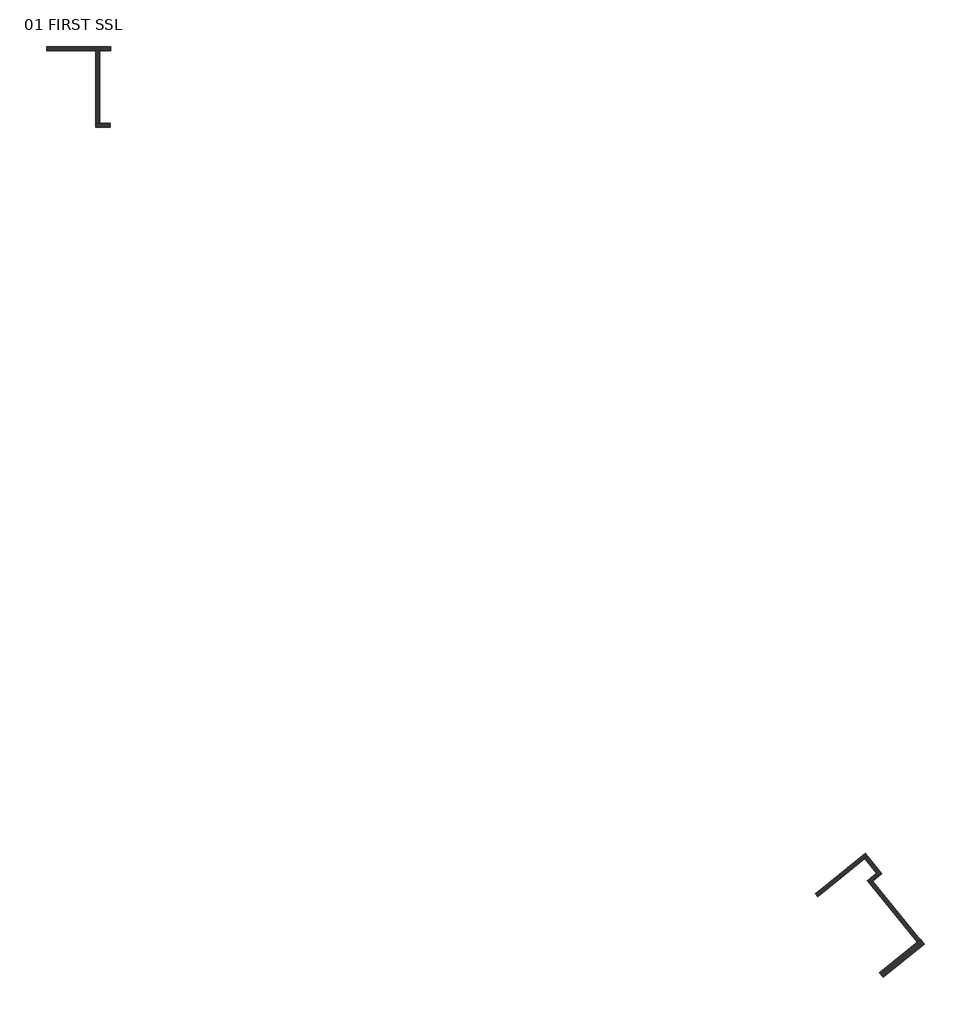
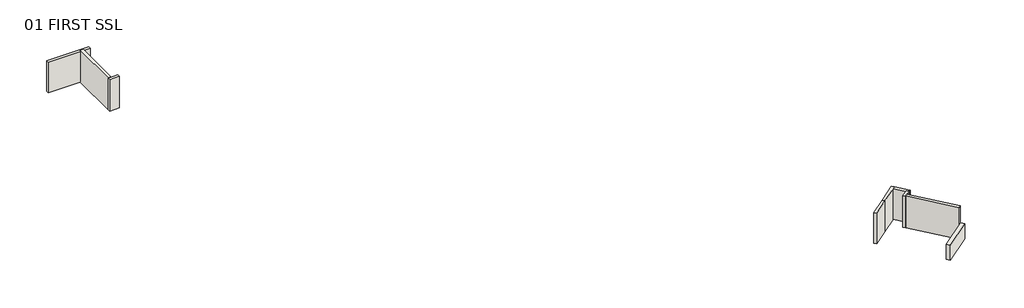
# One storey: 9 walls.
"""IFC4 building model written with IfcOpenShell, lengths in millimetres."""

from ifc_helpers import new_model, si_unit, frame, origin, place, context, project, spatial, polyline, outline, extrude, faceted_brep, element, save

model = new_model("IFC4")

# Units and contexts
model_context = context("Model", 3, world=origin())
ifc_project = project(units=[si_unit("LENGTHUNIT", "METRE", prefix="MILLI")], contexts=[model_context])

# Site, building, storey
site = spatial("IfcSite", under=ifc_project)
building = spatial("IfcBuilding", under=site)
storey = spatial("IfcBuildingStorey", under=building, Name="01 FIRST SSL", Elevation=39890.0)

# Walls
placement = place(None, origin())
element("IfcWall", 1, at=placement, inside=storey, context=model_context, shape_type="Brep", body=[
    faceted_brep([(-203209.0391316, 376579.6656626, 39900.0), (-202975.8953432, 376768.4617799, 39900.0), (-202521.2767536, 377136.6046549, 39900.0), (-202521.2767536, 377136.6046549, 43610.0), (-202521.2767536, 377136.6046549, 43689.0), (-203209.0391316, 376579.6656626, 43689.0), (-203397.8352489, 376812.809451, 39900.0), (-203397.8352489, 376812.809451, 43689.0), (-202710.0728709, 377369.7484434, 43689.0), (-202710.0728709, 377369.7484434, 39900.0)], [[[0, 1, 2, 3, 4, 5]], [[6, 7, 8, 9]], [[2, 1, 0, 6, 9]], [[5, 4, 8, 7]], [[0, 5, 7, 6]], [[4, 3, 2, 9, 8]]]),
])
element("IfcWall", 2, at=placement, inside=storey, context=model_context, shape_type="Brep", body=[
    faceted_brep([(-203209.0391316, 376579.6656626, 39900.0), (-199647.2165003, 372181.1810231, 39900.0), (-199647.2165003, 372181.1810231, 43750.0), (-203209.0391316, 376579.6656626, 43750.0), (-203209.0391316, 376579.6656626, 43689.0), (-202975.8953432, 376768.4617799, 39900.0), (-202975.8953432, 376768.4617799, 43750.0), (-199414.0727119, 372369.9771404, 43750.0), (-199414.0727119, 372369.9771404, 39900.0)], [[[0, 1, 2, 3, 4]], [[5, 6, 7, 8]], [[1, 0, 5, 8]], [[3, 2, 7, 6]], [[0, 4, 3, 6, 5]], [[2, 1, 8, 7]]]),
])
element("IfcWall", 3, at=placement, inside=storey, context=model_context, shape_type="SweptSolid", body=[
    extrude(outline(polyline([(-205348.5975473, 377015.5869041), (-207101.1395022, 375596.4064115), (-207289.9356195, 375829.5501999), (-205537.3936646, 377248.7306925), (-205348.5975473, 377015.5869041)])), frame((0.0, 0.0, 39900.0), z_axis=(0.0, 0.0, 1.0), x_axis=(1.0, 0.0, 0.0)), (0.0, 0.0, 1.0), 3710.0),
])
element("IfcWall", 4, at=placement, inside=storey, context=model_context, shape_type="Brep", body=[
    faceted_brep([(-205348.5975473, 377015.5869041, 39900.0), (-203581.8340158, 378446.2838023, 39900.0), (-203348.6902273, 378635.0799196, 39900.0), (-203348.6902273, 378635.0799196, 43610.0), (-203581.8340158, 378446.2838023, 43610.0), (-205348.5975473, 377015.5869041, 43610.0), (-205537.3936646, 377248.7306925, 39900.0), (-205537.3936646, 377248.7306925, 43610.0), (-203537.4863447, 378868.2237081, 43610.0), (-203537.4863447, 378868.2237081, 39900.0)], [[[0, 1, 2, 3, 4, 5]], [[6, 7, 8, 9]], [[2, 1, 0, 6, 9]], [[5, 4, 3, 8, 7]], [[0, 5, 7, 6]], [[3, 2, 9, 8]]]),
])
element("IfcWall", 5, at=placement, inside=storey, context=model_context, shape_type="Brep", body=[
    faceted_brep([(-203581.8340158, 378446.2838023, 39900.0), (-202710.0728709, 377369.7484434, 39900.0), (-202521.2767536, 377136.6046549, 39900.0), (-202521.2767536, 377136.6046549, 43610.0), (-203581.8340158, 378446.2838023, 43610.0), (-203348.6902273, 378635.0799196, 39900.0), (-203348.6902273, 378635.0799196, 43610.0), (-202288.1329652, 377325.4007723, 43610.0), (-202288.1329652, 377325.4007723, 39900.0)], [[[0, 1, 2, 3, 4]], [[5, 6, 7, 8]], [[2, 1, 0, 5, 8]], [[4, 3, 7, 6]], [[3, 2, 8, 7]], [[0, 4, 6, 5]]]),
])
element("IfcWall", 6, at=placement, inside=storey, context=model_context, shape_type="Brep", body=[
    faceted_brep([(-261334.8398619, 439116.8666704, 39890.0), (-261334.8398619, 433644.6410057, 39890.0), (-261334.8398619, 433644.6410057, 39900.0), (-261334.8398619, 433644.6410057, 43689.0), (-261334.8398619, 433644.6410057, 43750.0), (-261334.8398619, 439116.8666704, 43750.0), (-261034.8398619, 439116.8666704, 39890.0), (-261034.8398619, 439116.8666704, 43750.0), (-261034.8398619, 433644.6410057, 43750.0), (-261034.8398619, 433644.6410057, 39890.0)], [[[0, 1, 2, 3, 4, 5]], [[6, 7, 8, 9]], [[1, 0, 6, 9]], [[5, 4, 8, 7]], [[0, 5, 7, 6]], [[4, 3, 2, 1, 9, 8]]]),
])
element("IfcWall", 7, at=placement, inside=storey, context=model_context, shape_type="SweptSolid", body=[
    extrude(outline(polyline([(-260237.2, 433344.6410057), (-261334.8398619, 433344.6410057), (-261334.8398619, 433644.6410057), (-260237.2, 433644.6410057), (-260237.2, 433344.6410057)])), frame((0.0, 0.0, 39900.0), z_axis=(0.0, 0.0, 1.0), x_axis=(1.0, 0.0, 0.0)), (0.0, 0.0, 1.0), 3789.0),
])
element("IfcWall", 8, at=placement, inside=storey, context=model_context, shape_type="SweptSolid", body=[
    extrude(outline(polyline([(-260214.7, 439116.8666704), (-265025.7, 439116.8666704), (-265025.7, 439416.8666704), (-260214.7, 439416.8666704), (-260214.7, 439116.8666704)])), frame((0.0, 0.0, 39900.0), z_axis=(0.0, 0.0, 1.0), x_axis=(1.0, 0.0, 0.0)), (0.0, 0.0, 1.0), 3710.0),
])
element("IfcWall", 9, ObjectType="Type 06B - 450 INTERNAL BLOCKWORK WALL", at=placement, inside=storey, context=model_context, shape_type="SweptSolid", body=[
    extrude(outline(polyline([(-199095.5301925, 372048.8859818), (-202195.5654328, 369538.5269419), (-202478.7596087, 369888.2426246), (-199378.7243685, 372398.6016645), (-199095.5301925, 372048.8859818)])), frame((0.0, 0.0, 39890.0), z_axis=(0.0, 0.0, 1.0), x_axis=(1.0, 0.0, 0.0)), (0.0, 0.0, 1.0), 1807.0),
])

save(model, "model.ifc")
